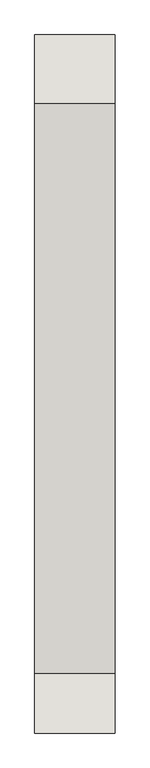
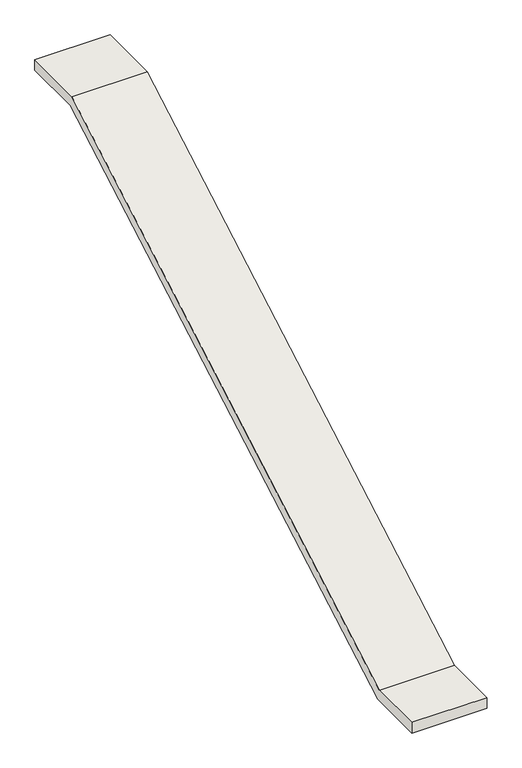
"""IFC4 building model written with IfcOpenShell, lengths in millimetres: wall geometry."""

from ifc_helpers import new_model, si_unit, frame, origin, place, context, project, spatial, polyline, outline, extrude, source, transform, mapped, element, save


def wall_fa4e2517(model_context):
    return source(origin(), model_context, "Body", "SweptSolid", [
        extrude(outline(polyline([(114862.7930237, 7807.2453347), (114862.7930237, 7757.8976883), (114594.6617391, 7757.8976883), (112251.5395161, 6420.0), (111992.6174623, 6420.0), (111992.6174623, 6469.3476464), (112238.4432845, 6469.3476464), (114581.5655074, 7807.2453347), (114862.7930237, 7807.2453347)])), frame((-7290.2513562, 0.0, 0.0), z_axis=(1.0, 0.0, 0.0), x_axis=(0.0, 1.0, 0.0)), (0.0, 0.0, 1.0), 330.2124988),
    ])


if __name__ == "__main__":
    model = new_model("IFC4")
    model_context = context("Model", 3, world=origin())
    ifc_project = project(units=[si_unit("LENGTHUNIT", "METRE", prefix="MILLI")], contexts=[model_context])
    site = spatial("IfcSite", under=ifc_project)
    building = spatial("IfcBuilding", under=site)
    placement = place(None, origin())
    wall_shape = wall_fa4e2517(model_context)
    element("IfcWall", 1, at=placement, inside=building, context=model_context, shape_type="MappedRepresentation", body=[
        mapped(wall_shape, transform((0.0, 0.0, 0.0), x_axis=(1.0, 0.0, 0.0), y_axis=(0.0, 1.0, 0.0), z_axis=(0.0, 0.0, 1.0))),
    ])
    save(model, "model.ifc")
